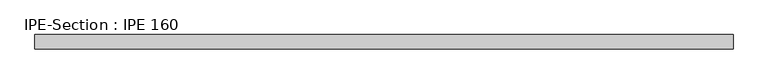
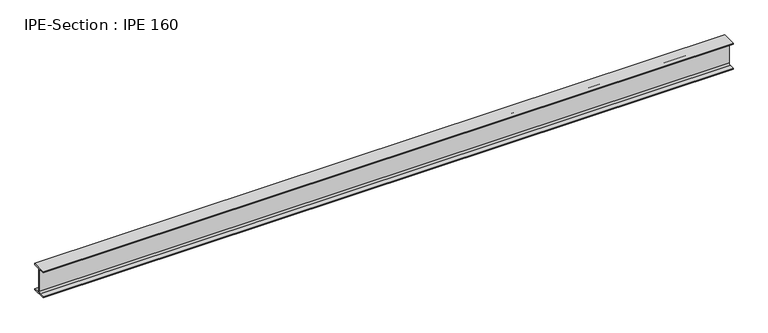
"""IFC4 building model written with IfcOpenShell, lengths in millimetres: beam geometry, IPE-Section : IPE 160."""

from ifc_helpers import new_model, si_unit, point, frame, frame_2d, origin, place, context, project, spatial, polyline, circle_curve, trimmed, segment, composite_curve, outline, extrude, source, transform, mapped, element, save


def ipe_section_ipe_160_1ca85944(model_context):
    return source(origin(), model_context, "Body", "SweptSolid", [
        extrude(outline(composite_curve([segment(polyline([(41.0, -72.6), (41.0, -80.0), (-41.0, -80.0), (-41.0, -72.6), (-11.5, -72.6)]), True, "CONTINUOUS"), segment(trimmed(circle_curve(frame_2d((-11.5, -63.6)), 9.0), [point((-11.5, -72.6))], [point((-2.5, -63.6))], True, "CARTESIAN"), True, "CONTINUOUS"), segment(polyline([(-2.5, -63.6), (-2.5, 63.6)]), True, "CONTINUOUS"), segment(trimmed(circle_curve(frame_2d((-11.5, 63.6)), 9.0), [point((-2.5, 63.6))], [point((-11.5, 72.6))], True, "CARTESIAN"), True, "CONTINUOUS"), segment(polyline([(-11.5, 72.6), (-41.0, 72.6), (-41.0, 80.0), (41.0, 80.0), (41.0, 72.6), (11.5, 72.6)]), True, "CONTINUOUS"), segment(trimmed(circle_curve(frame_2d((11.5, 63.6)), 9.0), [point((11.5, 72.6))], [point((2.5, 63.6))], True, "CARTESIAN"), True, "CONTINUOUS"), segment(polyline([(2.5, 63.6), (2.5, -63.6)]), True, "CONTINUOUS"), segment(trimmed(circle_curve(frame_2d((11.5, -63.6)), 9.0), [point((2.5, -63.6))], [point((11.5, -72.6))], True, "CARTESIAN"), True, "CONTINUOUS"), segment(polyline([(11.5, -72.6), (41.0, -72.6)]), True, "CONTINUOUS")], self_intersect=False)), frame((-1985.2166667, 0.0, 0.0), z_axis=(1.0, 0.0, 0.0), x_axis=(0.0, 1.0, 0.0)), (0.0, 0.0, 1.0), 3960.4333333),
    ])


if __name__ == "__main__":
    model = new_model("IFC4")
    model_context = context("Model", 3, world=origin())
    ifc_project = project(units=[si_unit("LENGTHUNIT", "METRE", prefix="MILLI")], contexts=[model_context])
    site = spatial("IfcSite", under=ifc_project)
    building = spatial("IfcBuilding", under=site)
    placement = place(None, origin())
    ipe_section_ipe_160_shape = ipe_section_ipe_160_1ca85944(model_context)
    element("IfcBeam", 1, ObjectType="IPE-Section : IPE 160", at=placement, inside=building, context=model_context, shape_type="MappedRepresentation", body=[
        mapped(ipe_section_ipe_160_shape, transform((0.0, 0.0, 0.0), x_axis=(1.0, 0.0, 0.0), y_axis=(0.0, 1.0, 0.0), z_axis=(0.0, 0.0, 1.0))),
    ])
    save(model, "model.ifc")
